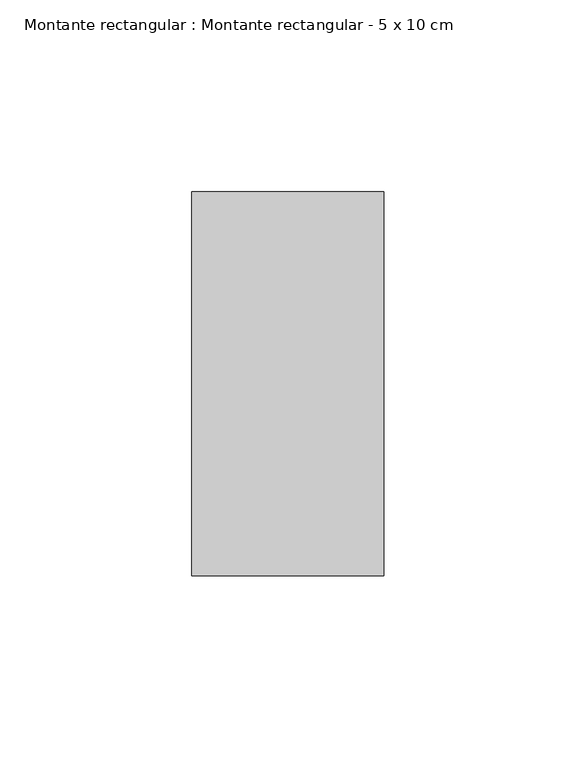
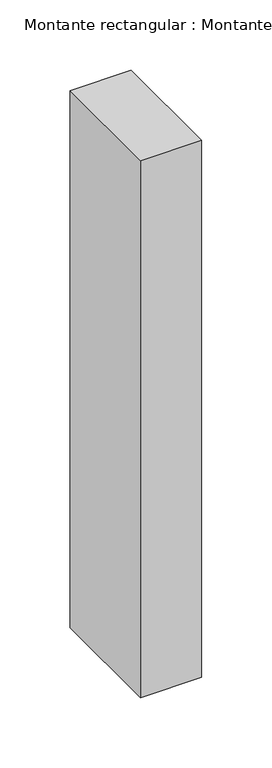
"""IFC4 building model written with IfcOpenShell, lengths in millimetres: member geometry, Montante rectangular : Montante rectangular - 5 x 10 cm."""

import ifcopenshell
import ifcopenshell.guid

model = None  # the IFC model being written
_history = None  # IfcOwnerHistory: only IFC2X3 demands one
_inside = {}  # id of a spatial element -> (the spatial element, [elements in it])
_under = {}  # id of a project, library or spatial element -> (it, [spatial elements below it])
_declared = {}  # id of a project -> (the project, [libraries it declares])
_typed = {}  # id of a type object -> (the type object, [elements of that type])
_made_of = {}  # id of a material, layer set ... -> (it, [elements and type objects made of it])


def new_model(schema):
    """Start an empty IFC model of exactly this schema.

    Asked for "IFC4X3", IfcOpenShell would pick the latest addendum, in which some entities
    have other attributes; the version numbers below select the first issue.
    IFC2X3 requires an IfcOwnerHistory on every rooted entity: one is made here for all.
    """
    global model, _history
    if schema == "IFC4X3":
        model = ifcopenshell.file(schema_version=(4, 3, 0, 0))
    else:
        model = ifcopenshell.file(schema=schema)
    _inside.clear()
    _under.clear()
    _declared.clear()
    _typed.clear()
    _made_of.clear()
    _history = None
    if model.schema == "IFC2X3":
        org = make("IfcOrganization", Name="unknown")
        user = make(
            "IfcPersonAndOrganization",
            ThePerson=make("IfcPerson", FamilyName="unknown"),
            TheOrganization=org,
        )
        app = make(
            "IfcApplication",
            ApplicationDeveloper=org,
            Version="unknown",
            ApplicationFullName="unknown",
            ApplicationIdentifier="unknown",
        )
        _history = make(
            "IfcOwnerHistory",
            OwningUser=user,
            OwningApplication=app,
            ChangeAction="ADDED",
            CreationDate=0,
        )
    return model


def make(cls, **values):
    """One entity of the class cls with the attributes given. An attribute that is None is left unset."""
    return model.create_entity(
        cls, **{name: value for name, value in values.items() if value is not None}
    )


def rooted(cls, **values):
    """An entity with a GlobalId (a new one), such as an element, a storey or a relation."""
    return make(cls, GlobalId=ifcopenshell.guid.new(), OwnerHistory=_history, **values)


def si_unit(unit_type, name, prefix=None):
    """IfcSIUnit, for example si_unit("LENGTHUNIT", "METRE", prefix="MILLI")."""
    return make("IfcSIUnit", UnitType=unit_type, Prefix=prefix, Name=name)


def assignment(units):
    """IfcUnitAssignment: the units of a project."""
    return None if units is None else make("IfcUnitAssignment", Units=units)


def point(xyz):
    """IfcCartesianPoint."""
    return None if xyz is None else make("IfcCartesianPoint", Coordinates=xyz)


def direction(xyz):
    """IfcDirection."""
    return None if xyz is None else make("IfcDirection", DirectionRatios=xyz)


def frame(location, z_axis=None, x_axis=None):
    """IfcAxis2Placement3D, a coordinate frame: its origin and axes. An axis left out is left unset."""
    return make(
        "IfcAxis2Placement3D",
        Location=point(location),
        Axis=direction(z_axis),
        RefDirection=direction(x_axis),
    )


def origin():
    """The frame at (0, 0, 0) with its axes left unset."""
    return frame((0.0, 0.0, 0.0))


def place(relative_to, where):
    """IfcLocalPlacement: puts the frame where relative to a parent placement (None: the world)."""
    return make(
        "IfcLocalPlacement", PlacementRelTo=relative_to, RelativePlacement=where
    )


def context(
    kind, dimensions, precision=None, world=None, true_north=None, identifier=None
):
    """IfcGeometricRepresentationContext, for example the 3D "Model" context."""
    return make(
        "IfcGeometricRepresentationContext",
        ContextIdentifier=identifier,
        ContextType=kind,
        CoordinateSpaceDimension=dimensions,
        Precision=precision,
        WorldCoordinateSystem=world,
        TrueNorth=true_north,
    )


def project(units=None, contexts=None):
    """IfcProject with its units and contexts."""
    return rooted(
        "IfcProject",
        Name="project",
        RepresentationContexts=contexts,
        UnitsInContext=assignment(units),
    )


def spatial(cls, under=None, at=None, **own):
    """A site, building, storey or space (cls), placed at a placement, below another one or the project."""
    s = rooted(cls, ObjectPlacement=at, **own)
    if under is not None:
        _under.setdefault(under.id(), (under, []))[1].append(s)
    return s


def polyline(points):
    """IfcPolyline through the points."""
    return make("IfcPolyline", Points=[point(p) for p in points])


def outline(outer, holes=None, kind="AREA"):
    """IfcArbitraryClosedProfileDef: a profile drawn as a closed curve; with holes, ...WithVoids."""
    if holes is None:
        return make("IfcArbitraryClosedProfileDef", ProfileType=kind, OuterCurve=outer)
    return make(
        "IfcArbitraryProfileDefWithVoids",
        ProfileType=kind,
        OuterCurve=outer,
        InnerCurves=holes,
    )


def extrude(swept, where, along, depth):
    """IfcExtrudedAreaSolid: the profile swept, set in the frame where, extruded along a direction by depth."""
    return make(
        "IfcExtrudedAreaSolid",
        SweptArea=swept,
        Position=where,
        ExtrudedDirection=direction(along),
        Depth=depth,
    )


def shape(context_of_items, identifier, shape_type, items):
    """IfcShapeRepresentation: the items that make up one representation, for example the "Body"."""
    return make(
        "IfcShapeRepresentation",
        ContextOfItems=context_of_items,
        RepresentationIdentifier=identifier,
        RepresentationType=shape_type,
        Items=items,
    )


def source(mapping_origin, context_of_items, identifier, shape_type, items):
    """IfcRepresentationMap: a shape defined once, which mapped items show again and again."""
    return make(
        "IfcRepresentationMap",
        MappingOrigin=mapping_origin,
        MappedRepresentation=shape(context_of_items, identifier, shape_type, items),
    )


def transform(
    local_origin,
    x_axis=None,
    y_axis=None,
    z_axis=None,
    scale=None,
    scale2=None,
    scale3=None,
    uniform=True,
):
    """IfcCartesianTransformationOperator3D, or its non-uniform kind. x_axis, y_axis, z_axis: its Axis1, 2, 3."""
    if uniform:
        return make(
            "IfcCartesianTransformationOperator3D",
            Axis1=direction(x_axis),
            Axis2=direction(y_axis),
            LocalOrigin=point(local_origin),
            Scale=scale,
            Axis3=direction(z_axis),
        )
    return make(
        "IfcCartesianTransformationOperator3DnonUniform",
        Axis1=direction(x_axis),
        Axis2=direction(y_axis),
        LocalOrigin=point(local_origin),
        Scale=scale,
        Axis3=direction(z_axis),
        Scale2=scale2,
        Scale3=scale3,
    )


def mapped(mapping_source, mapping_target):
    """IfcMappedItem: shows the shape of a source again, moved by a transform."""
    return make(
        "IfcMappedItem", MappingSource=mapping_source, MappingTarget=mapping_target
    )


def made_of(thing, what):
    """Note that an element or type object is made of a material, layer set ...; save() writes the relation."""
    if what is not None:
        _made_of.setdefault(what.id(), (what, []))[1].append(thing)
    return thing


def element(
    cls,
    number,
    at=None,
    inside=None,
    cuts=None,
    type_object=None,
    material=None,
    context=None,
    identifier="Body",
    shape_type=None,
    held_by="IfcProductDefinitionShape",
    body=None,
    shapes=None,
    **own,
):
    """One element of the class cls, such as IfcWall. Its Tag is "e" and its number.

    at: its placement. inside: the storey or other place that contains it. cuts: it is an
    opening in that element (IfcRelVoidsElement). A single representation is given by context,
    identifier, shape_type and body (its items); several are given by shapes. held_by: the class
    of the entity that holds the representations. save() writes the other relations.
    """
    e = rooted(cls, Tag="e%d" % number, ObjectPlacement=at, **own)
    if body is not None:
        shapes = [shape(context, identifier, shape_type, body)]
    if shapes is not None:
        e.Representation = make(held_by, Representations=shapes)
    if inside is not None:
        _inside.setdefault(inside.id(), (inside, []))[1].append(e)
    if cuts is not None:
        rooted(
            "IfcRelVoidsElement", RelatingBuildingElement=cuts, RelatedOpeningElement=e
        )
    if type_object is not None:
        _typed.setdefault(type_object.id(), (type_object, []))[1].append(e)
    return made_of(e, material)


def aggregate(whole, parts):
    """IfcRelAggregates: a whole, such as a stair, and the parts it consists of."""
    return rooted("IfcRelAggregates", RelatingObject=whole, RelatedObjects=parts)


def save(model, path):
    """Write the relations noted so far, then the file.

    IfcRelAggregates (storeys below a building ...), IfcRelContainedInSpatialStructure (elements
    in a storey), IfcRelDefinesByType, IfcRelAssociatesMaterial and IfcRelDeclares: one each for
    every whole, place, type object, material and project.
    """
    for whole, parts in _under.values():
        aggregate(whole, parts)
    for where, things in _inside.values():
        rooted(
            "IfcRelContainedInSpatialStructure",
            RelatedElements=things,
            RelatingStructure=where,
        )
    for kind, things in _typed.values():
        rooted("IfcRelDefinesByType", RelatedObjects=things, RelatingType=kind)
    for what, things in _made_of.values():
        rooted("IfcRelAssociatesMaterial", RelatedObjects=things, RelatingMaterial=what)
    for by, libraries in _declared.values():
        rooted("IfcRelDeclares", RelatingContext=by, RelatedDefinitions=libraries)
    model.write(path)


def montante_rectangular_montante_rectangular_5_x_10_cm_4b1b159d(model_context):
    return source(origin(), model_context, "Body", "SweptSolid", [
        extrude(outline(polyline([(0.0, 50.0), (0.0, -50.0), (-50.0, -50.0), (-50.0, 50.0), (0.0, 50.0)])), frame((0.0, 0.0, -465.0), z_axis=(0.0, 0.0, 1.0), x_axis=(1.0, 0.0, 0.0)), (0.0, 0.0, 1.0), 465.0),
    ])


if __name__ == "__main__":
    model = new_model("IFC4")
    model_context = context("Model", 3, world=origin())
    ifc_project = project(units=[si_unit("LENGTHUNIT", "METRE", prefix="MILLI")], contexts=[model_context])
    site = spatial("IfcSite", under=ifc_project)
    building = spatial("IfcBuilding", under=site)
    placement = place(None, origin())
    montante_rectangular_montante_rectangular_5_x_10_cm_shape = montante_rectangular_montante_rectangular_5_x_10_cm_4b1b159d(model_context)
    element("IfcMember", 1, ObjectType="Montante rectangular : Montante rectangular - 5 x 10 cm", at=placement, inside=building, context=model_context, shape_type="MappedRepresentation", body=[
        mapped(montante_rectangular_montante_rectangular_5_x_10_cm_shape, transform((0.0, 0.0, 0.0), x_axis=(1.0, 0.0, 0.0), y_axis=(0.0, 1.0, 0.0), z_axis=(0.0, 0.0, 1.0))),
    ])
    save(model, "model.ifc")
